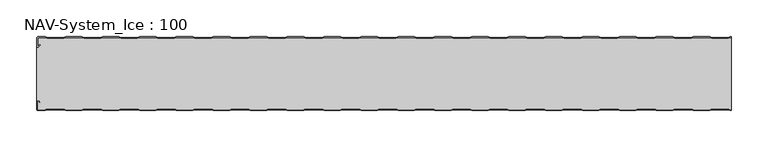
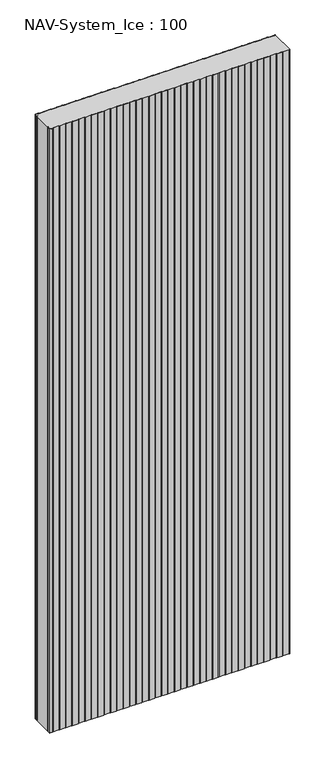
"""IFC4 building model written with IfcOpenShell, lengths in millimetres: plate geometry, NAV-System_Ice : 100."""

from ifc_helpers import new_model, si_unit, point, frame_2d, origin, origin_with_axes, place, context, project, spatial, polyline, circle_curve, trimmed, segment, composite_curve, outline, extrude, source, transform, mapped, element, save


def nav_system_ice_100_3fc0cf94(model_context):
    return source(origin(), model_context, "Body", "SweptSolid", [
        extrude(outline(composite_curve([segment(polyline([(469.1298221, -0.8), (466.1298221, -1.8), (443.8701779, -1.8), (440.8701779, -0.8), (419.1298221, -0.8), (416.1298221, -1.8), (393.8701779, -1.8), (390.8701779, -0.8), (369.1298221, -0.8), (366.1298221, -1.8), (343.8701779, -1.8), (340.8701779, -0.8), (319.1298221, -0.8), (316.1298221, -1.8), (293.8701779, -1.8), (290.8701779, -0.8), (269.1298221, -0.8), (266.1298221, -1.8), (243.8701779, -1.8), (240.8701779, -0.8), (219.1298221, -0.8), (216.1298221, -1.8), (193.8701779, -1.8), (190.8701779, -0.8), (169.1298221, -0.8), (166.1298221, -1.8), (143.8701779, -1.8), (140.8701779, -0.8), (119.1298221, -0.8), (116.1298221, -1.8), (93.8701779, -1.8), (90.8701779, -0.8), (69.1298221, -0.8), (66.1298221, -1.8), (43.8701779, -1.8), (40.8701779, -0.8), (19.1298221, -0.8), (16.1298221, -1.8), (-6.1298221, -1.8), (-9.1298221, -0.8), (-30.8701779, -0.8), (-33.8701779, -1.8), (-56.1298221, -1.8), (-59.1298221, -0.8), (-80.8701779, -0.8), (-83.8701779, -1.8), (-106.1298221, -1.8), (-109.1298221, -0.8), (-130.8701779, -0.8), (-133.8701779, -1.8), (-156.1298221, -1.8), (-159.1298221, -0.8), (-180.8701779, -0.8), (-183.8701779, -1.8), (-206.1298221, -1.8), (-209.1298221, -0.8), (-230.8701779, -0.8), (-233.8701779, -1.8), (-256.1298221, -1.8), (-259.1298221, -0.8), (-280.8701779, -0.8), (-283.8701779, -1.8), (-306.1298221, -1.8), (-309.1298221, -0.8), (-330.8701779, -0.8), (-333.8701779, -1.8), (-356.1298221, -1.8), (-359.1298221, -0.8), (-380.8701779, -0.8), (-383.8701779, -1.8), (-406.1298221, -1.8), (-409.1298221, -0.8), (-430.8701779, -0.8), (-433.8701779, -1.8), (-456.1298221, -1.8), (-459.1298221, -0.8), (-468.7, -0.8)]), True, "CONTINUOUS"), segment(trimmed(circle_curve(frame_2d((-468.7, -1.3)), 0.5), [point((-468.7, -0.8))], [point((-469.2, -1.3))], True, "CARTESIAN"), True, "CONTINUOUS"), segment(polyline([(-469.2, -1.3), (-469.2, -12.5857864)]), True, "CONTINUOUS"), segment(trimmed(circle_curve(frame_2d((-468.7, -12.5857864)), 0.5), [point((-469.2, -12.5857864))], [point((-468.3464466, -12.9393398))], True, "CARTESIAN"), True, "CONTINUOUS"), segment(polyline([(-468.3464466, -12.9393398), (-465.9205321, -10.5134253), (-465.3548467, -11.0791108), (-467.7807612, -13.5050253)]), True, "CONTINUOUS"), segment(trimmed(circle_curve(frame_2d((-468.7, -12.5857864)), 1.3), [point((-467.7807612, -13.5050253))], [point((-470.0, -12.5857864))], False, "CARTESIAN"), True, "CONTINUOUS"), segment(polyline([(-470.0, -12.5857864), (-470.0, -1.3)]), True, "CONTINUOUS"), segment(trimmed(circle_curve(frame_2d((-468.7, -1.3)), 1.3), [point((-470.0, -1.3))], [point((-468.7, 0.0))], False, "CARTESIAN"), True, "CONTINUOUS"), segment(polyline([(-468.7, 0.0), (-459.0, 0.0), (-456.0, -1.0), (-434.0, -1.0), (-431.0, 0.0), (-409.0, 0.0), (-406.0, -1.0), (-384.0, -1.0), (-381.0, 0.0), (-359.0, 0.0), (-356.0, -1.0), (-334.0, -1.0), (-331.0, 0.0), (-309.0, 0.0), (-306.0, -1.0), (-284.0, -1.0), (-281.0, 0.0), (-259.0, 0.0), (-256.0, -1.0), (-234.0, -1.0), (-231.0, 0.0), (-209.0, 0.0), (-206.0, -1.0), (-184.0, -1.0), (-181.0, 0.0), (-159.0, 0.0), (-156.0, -1.0), (-134.0, -1.0), (-131.0, 0.0), (-109.0, 0.0), (-106.0, -1.0), (-84.0, -1.0), (-81.0, 0.0), (-59.0, 0.0), (-56.0, -1.0), (-34.0, -1.0), (-31.0, 0.0), (-9.0, 0.0), (-6.0, -1.0), (16.0, -1.0), (19.0, 0.0), (41.0, 0.0), (44.0, -1.0), (66.0, -1.0), (69.0, 0.0), (91.0, 0.0), (94.0, -1.0), (116.0, -1.0), (119.0, 0.0), (141.0, 0.0), (144.0, -1.0), (166.0, -1.0), (169.0, 0.0), (191.0, 0.0), (194.0, -1.0), (216.0, -1.0), (219.0, 0.0), (241.0, 0.0), (244.0, -1.0), (266.0, -1.0), (269.0, 0.0), (291.0, 0.0), (294.0, -1.0), (316.0, -1.0), (319.0, 0.0), (341.0, 0.0), (344.0, -1.0), (366.0, -1.0), (369.0, 0.0), (391.0, 0.0), (394.0, -1.0), (416.0, -1.0), (419.0, 0.0), (441.0, 0.0), (444.0, -1.0), (466.0, -1.0), (469.0, 0.0), (470.0, 0.0), (470.0, -0.8), (469.1298221, -0.8)]), True, "CONTINUOUS")], self_intersect=False)), origin_with_axes(), (0.0, 0.0, 1.0), 2500.0),
        extrude(outline(composite_curve([segment(polyline([(469.1298221, -99.2), (466.1298221, -98.2), (443.8701779, -98.2), (440.8701779, -99.2), (419.1298221, -99.2), (416.1298221, -98.2), (393.8701779, -98.2), (390.8701779, -99.2), (369.1298221, -99.2), (366.1298221, -98.2), (343.8701779, -98.2), (340.8701779, -99.2), (319.1298221, -99.2), (316.1298221, -98.2), (293.8701779, -98.2), (290.8701779, -99.2), (269.1298221, -99.2), (266.1298221, -98.2), (243.8701779, -98.2), (240.8701779, -99.2), (219.1298221, -99.2), (216.1298221, -98.2), (193.8701779, -98.2), (190.8701779, -99.2), (169.1298221, -99.2), (166.1298221, -98.2), (143.8701779, -98.2), (140.8701779, -99.2), (119.1298221, -99.2), (116.1298221, -98.2), (93.8701779, -98.2), (90.8701779, -99.2), (69.1298221, -99.2), (66.1298221, -98.2), (43.8701779, -98.2), (40.8701779, -99.2), (19.1298221, -99.2), (16.1298221, -98.2), (-6.1298221, -98.2), (-9.1298221, -99.2), (-30.8701779, -99.2), (-33.8701779, -98.2), (-56.1298221, -98.2), (-59.1298221, -99.2), (-80.8701779, -99.2), (-83.8701779, -98.2), (-106.1298221, -98.2), (-109.1298221, -99.2), (-130.8701779, -99.2), (-133.8701779, -98.2), (-156.1298221, -98.2), (-159.1298221, -99.2), (-180.8701779, -99.2), (-183.8701779, -98.2), (-206.1298221, -98.2), (-209.1298221, -99.2), (-230.8701779, -99.2), (-233.8701779, -98.2), (-256.1298221, -98.2), (-259.1298221, -99.2), (-280.8701779, -99.2), (-283.8701779, -98.2), (-306.1298221, -98.2), (-309.1298221, -99.2), (-330.8701779, -99.2), (-333.8701779, -98.2), (-356.1298221, -98.2), (-359.1298221, -99.2), (-380.8701779, -99.2), (-383.8701779, -98.2), (-406.1298221, -98.2), (-409.1298221, -99.2), (-430.8701779, -99.2), (-433.8701779, -98.2), (-456.1298221, -98.2), (-459.1298221, -99.2), (-468.7, -99.2)]), True, "CONTINUOUS"), segment(trimmed(circle_curve(frame_2d((-468.7, -98.7)), 0.5), [point((-468.7, -99.2))], [point((-469.2, -98.7))], False, "CARTESIAN"), True, "CONTINUOUS"), segment(polyline([(-469.2, -98.7), (-469.2, -87.4142136)]), True, "CONTINUOUS"), segment(trimmed(circle_curve(frame_2d((-468.7, -87.4142136)), 0.5), [point((-469.2, -87.4142136))], [point((-468.3464466, -87.0606602))], False, "CARTESIAN"), True, "CONTINUOUS"), segment(polyline([(-468.3464466, -87.0606602), (-465.9205321, -89.4865747), (-465.3548467, -88.9208892), (-467.7807612, -86.4949747)]), True, "CONTINUOUS"), segment(trimmed(circle_curve(frame_2d((-468.7, -87.4142136)), 1.3), [point((-467.7807612, -86.4949747))], [point((-468.7, -86.1142136))], True, "CARTESIAN"), True, "CONTINUOUS"), segment(polyline([(-468.7, -86.1142136), (-470.0, -86.1142136), (-470.0, -13.8857864), (-468.7, -13.8857864)]), True, "CONTINUOUS"), segment(trimmed(circle_curve(frame_2d((-468.7, -12.5857864)), 1.3), [point((-468.7, -13.8857864))], [point((-467.7807612, -13.5050253))], True, "CARTESIAN"), True, "CONTINUOUS"), segment(polyline([(-467.7807612, -13.5050253), (-465.3548467, -11.0791108), (-465.9205321, -10.5134253), (-468.3464466, -12.9393398)]), True, "CONTINUOUS"), segment(trimmed(circle_curve(frame_2d((-468.7, -12.5857864)), 0.5), [point((-468.3464466, -12.9393398))], [point((-469.2, -12.5857864))], False, "CARTESIAN"), True, "CONTINUOUS"), segment(polyline([(-469.2, -12.5857864), (-469.2, -1.3)]), True, "CONTINUOUS"), segment(trimmed(circle_curve(frame_2d((-468.7, -1.3)), 0.5), [point((-469.2, -1.3))], [point((-468.7, -0.8))], False, "CARTESIAN"), True, "CONTINUOUS"), segment(polyline([(-468.7, -0.8), (-459.1298221, -0.8), (-456.1298221, -1.8), (-433.8701779, -1.8), (-430.8701779, -0.8), (-409.1298221, -0.8), (-406.1298221, -1.8), (-383.8701779, -1.8), (-380.8701779, -0.8), (-359.1298221, -0.8), (-356.1298221, -1.8), (-333.8701779, -1.8), (-330.8701779, -0.8), (-309.1298221, -0.8), (-306.1298221, -1.8), (-283.8701779, -1.8), (-280.8701779, -0.8), (-259.1298221, -0.8), (-256.1298221, -1.8), (-233.8701779, -1.8), (-230.8701779, -0.8), (-209.1298221, -0.8), (-206.1298221, -1.8), (-183.8701779, -1.8), (-180.8701779, -0.8), (-159.1298221, -0.8), (-156.1298221, -1.8), (-133.8701779, -1.8), (-130.8701779, -0.8), (-109.1298221, -0.8), (-106.1298221, -1.8), (-83.8701779, -1.8), (-80.8701779, -0.8), (-59.1298221, -0.8), (-56.1298221, -1.8), (-33.8701779, -1.8), (-30.8701779, -0.8), (-9.1298221, -0.8), (-6.1298221, -1.8), (16.1298221, -1.8), (19.1298221, -0.8), (40.8701779, -0.8), (43.8701779, -1.8), (66.1298221, -1.8), (69.1298221, -0.8), (90.8701779, -0.8), (93.8701779, -1.8), (116.1298221, -1.8), (119.1298221, -0.8), (140.8701779, -0.8), (143.8701779, -1.8), (166.1298221, -1.8), (169.1298221, -0.8), (190.8701779, -0.8), (193.8701779, -1.8), (216.1298221, -1.8), (219.1298221, -0.8), (240.8701779, -0.8), (243.8701779, -1.8), (266.1298221, -1.8), (269.1298221, -0.8), (290.8701779, -0.8), (293.8701779, -1.8), (316.1298221, -1.8), (319.1298221, -0.8), (340.8701779, -0.8), (343.8701779, -1.8), (366.1298221, -1.8), (369.1298221, -0.8), (390.8701779, -0.8), (393.8701779, -1.8), (416.1298221, -1.8), (419.1298221, -0.8), (440.8701779, -0.8), (443.8701779, -1.8), (466.1298221, -1.8), (469.1298221, -0.8), (470.0, -0.8), (470.0, -99.2), (469.1298221, -99.2)]), True, "CONTINUOUS")], self_intersect=False)), origin_with_axes(), (0.0, 0.0, 1.0), 2500.0),
        extrude(outline(composite_curve([segment(polyline([(469.0, -100.0), (466.0, -99.0), (444.0, -99.0), (441.0, -100.0), (419.0, -100.0), (416.0, -99.0), (394.0, -99.0), (391.0, -100.0), (369.0, -100.0), (366.0, -99.0), (344.0, -99.0), (341.0, -100.0), (319.0, -100.0), (316.0, -99.0), (294.0, -99.0), (291.0, -100.0), (269.0, -100.0), (266.0, -99.0), (244.0, -99.0), (241.0, -100.0), (219.0, -100.0), (216.0, -99.0), (194.0, -99.0), (191.0, -100.0), (169.0, -100.0), (166.0, -99.0), (144.0, -99.0), (141.0, -100.0), (119.0, -100.0), (116.0, -99.0), (94.0, -99.0), (91.0, -100.0), (69.0, -100.0), (66.0, -99.0), (44.0, -99.0), (41.0, -100.0), (19.0, -100.0), (16.0, -99.0), (-6.0, -99.0), (-9.0, -100.0), (-31.0, -100.0), (-34.0, -99.0), (-56.0, -99.0), (-59.0, -100.0), (-81.0, -100.0), (-84.0, -99.0), (-106.0, -99.0), (-109.0, -100.0), (-131.0, -100.0), (-134.0, -99.0), (-156.0, -99.0), (-159.0, -100.0), (-181.0, -100.0), (-184.0, -99.0), (-206.0, -99.0), (-209.0, -100.0), (-231.0, -100.0), (-234.0, -99.0), (-256.0, -99.0), (-259.0, -100.0), (-281.0, -100.0), (-284.0, -99.0), (-306.0, -99.0), (-309.0, -100.0), (-331.0, -100.0), (-334.0, -99.0), (-356.0, -99.0), (-359.0, -100.0), (-381.0, -100.0), (-384.0, -99.0), (-406.0, -99.0), (-409.0, -100.0), (-431.0, -100.0), (-434.0, -99.0), (-456.0, -99.0), (-459.0, -100.0), (-468.7, -100.0)]), True, "CONTINUOUS"), segment(trimmed(circle_curve(frame_2d((-468.7, -98.7)), 1.3), [point((-468.7, -100.0))], [point((-470.0, -98.7))], False, "CARTESIAN"), True, "CONTINUOUS"), segment(polyline([(-470.0, -98.7), (-470.0, -87.4142136)]), True, "CONTINUOUS"), segment(trimmed(circle_curve(frame_2d((-468.7, -87.4142136)), 1.3), [point((-470.0, -87.4142136))], [point((-467.7807612, -86.4949747))], False, "CARTESIAN"), True, "CONTINUOUS"), segment(polyline([(-467.7807612, -86.4949747), (-465.3548467, -88.9208892), (-465.9205321, -89.4865747), (-468.3464466, -87.0606602)]), True, "CONTINUOUS"), segment(trimmed(circle_curve(frame_2d((-468.7, -87.4142136)), 0.5), [point((-468.3464466, -87.0606602))], [point((-469.2, -87.4142136))], True, "CARTESIAN"), True, "CONTINUOUS"), segment(polyline([(-469.2, -87.4142136), (-469.2, -98.7)]), True, "CONTINUOUS"), segment(trimmed(circle_curve(frame_2d((-468.7, -98.7)), 0.5), [point((-469.2, -98.7))], [point((-468.7, -99.2))], True, "CARTESIAN"), True, "CONTINUOUS"), segment(polyline([(-468.7, -99.2), (-459.1298221, -99.2), (-456.1298221, -98.2), (-433.8701779, -98.2), (-430.8701779, -99.2), (-409.1298221, -99.2), (-406.1298221, -98.2), (-383.8701779, -98.2), (-380.8701779, -99.2), (-359.1298221, -99.2), (-356.1298221, -98.2), (-333.8701779, -98.2), (-330.8701779, -99.2), (-309.1298221, -99.2), (-306.1298221, -98.2), (-283.8701779, -98.2), (-280.8701779, -99.2), (-259.1298221, -99.2), (-256.1298221, -98.2), (-233.8701779, -98.2), (-230.8701779, -99.2), (-209.1298221, -99.2), (-206.1298221, -98.2), (-183.8701779, -98.2), (-180.8701779, -99.2), (-159.1298221, -99.2), (-156.1298221, -98.2), (-133.8701779, -98.2), (-130.8701779, -99.2), (-109.1298221, -99.2), (-106.1298221, -98.2), (-83.8701779, -98.2), (-80.8701779, -99.2), (-59.1298221, -99.2), (-56.1298221, -98.2), (-33.8701779, -98.2), (-30.8701779, -99.2), (-9.1298221, -99.2), (-6.1298221, -98.2), (16.1298221, -98.2), (19.1298221, -99.2), (40.8701779, -99.2), (43.8701779, -98.2), (66.1298221, -98.2), (69.1298221, -99.2), (90.8701779, -99.2), (93.8701779, -98.2), (116.1298221, -98.2), (119.1298221, -99.2), (140.8701779, -99.2), (143.8701779, -98.2), (166.1298221, -98.2), (169.1298221, -99.2), (190.8701779, -99.2), (193.8701779, -98.2), (216.1298221, -98.2), (219.1298221, -99.2), (240.8701779, -99.2), (243.8701779, -98.2), (266.1298221, -98.2), (269.1298221, -99.2), (290.8701779, -99.2), (293.8701779, -98.2), (316.1298221, -98.2), (319.1298221, -99.2), (340.8701779, -99.2), (343.8701779, -98.2), (366.1298221, -98.2), (369.1298221, -99.2), (390.8701779, -99.2), (393.8701779, -98.2), (416.1298221, -98.2), (419.1298221, -99.2), (440.8701779, -99.2), (443.8701779, -98.2), (466.1298221, -98.2), (469.1298221, -99.2), (470.0, -99.2), (470.0, -100.0), (469.0, -100.0)]), True, "CONTINUOUS")], self_intersect=False)), origin_with_axes(), (0.0, 0.0, 1.0), 2500.0),
    ])


if __name__ == "__main__":
    model = new_model("IFC4")
    model_context = context("Model", 3, world=origin())
    ifc_project = project(units=[si_unit("LENGTHUNIT", "METRE", prefix="MILLI")], contexts=[model_context])
    site = spatial("IfcSite", under=ifc_project)
    building = spatial("IfcBuilding", under=site)
    placement = place(None, origin())
    nav_system_ice_100_shape = nav_system_ice_100_3fc0cf94(model_context)
    element("IfcPlate", 1, ObjectType="NAV-System_Ice : 100", at=placement, inside=building, context=model_context, shape_type="MappedRepresentation", body=[
        mapped(nav_system_ice_100_shape, transform((0.0, 0.0, 0.0), x_axis=(1.0, 0.0, 0.0), y_axis=(0.0, 1.0, 0.0), z_axis=(0.0, 0.0, 1.0))),
    ])
    save(model, "model.ifc")
